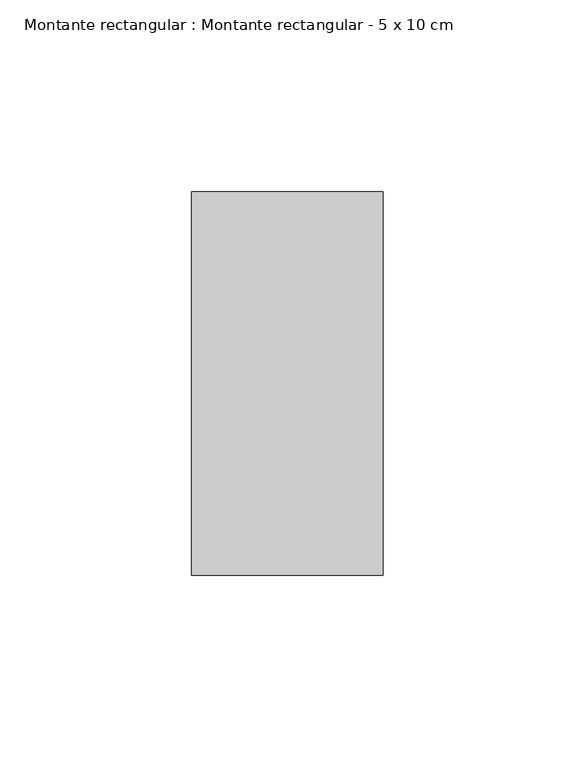
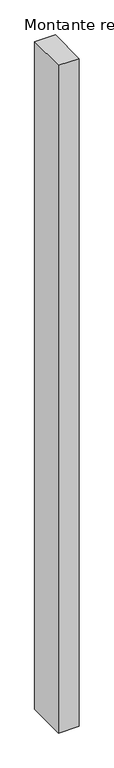
"""IFC4 building model written with IfcOpenShell, lengths in millimetres: member geometry, Montante rectangular : Montante rectangular - 5 x 10 cm."""

import ifcopenshell
import ifcopenshell.guid

model = None  # the IFC model being written
_history = None  # IfcOwnerHistory: only IFC2X3 demands one
_inside = {}  # id of a spatial element -> (the spatial element, [elements in it])
_under = {}  # id of a project, library or spatial element -> (it, [spatial elements below it])
_declared = {}  # id of a project -> (the project, [libraries it declares])
_typed = {}  # id of a type object -> (the type object, [elements of that type])
_made_of = {}  # id of a material, layer set ... -> (it, [elements and type objects made of it])


def new_model(schema):
    """Start an empty IFC model of exactly this schema.

    Asked for "IFC4X3", IfcOpenShell would pick the latest addendum, in which some entities
    have other attributes; the version numbers below select the first issue.
    IFC2X3 requires an IfcOwnerHistory on every rooted entity: one is made here for all.
    """
    global model, _history
    if schema == "IFC4X3":
        model = ifcopenshell.file(schema_version=(4, 3, 0, 0))
    else:
        model = ifcopenshell.file(schema=schema)
    _inside.clear()
    _under.clear()
    _declared.clear()
    _typed.clear()
    _made_of.clear()
    _history = None
    if model.schema == "IFC2X3":
        org = make("IfcOrganization", Name="unknown")
        user = make(
            "IfcPersonAndOrganization",
            ThePerson=make("IfcPerson", FamilyName="unknown"),
            TheOrganization=org,
        )
        app = make(
            "IfcApplication",
            ApplicationDeveloper=org,
            Version="unknown",
            ApplicationFullName="unknown",
            ApplicationIdentifier="unknown",
        )
        _history = make(
            "IfcOwnerHistory",
            OwningUser=user,
            OwningApplication=app,
            ChangeAction="ADDED",
            CreationDate=0,
        )
    return model


def make(cls, **values):
    """One entity of the class cls with the attributes given. An attribute that is None is left unset."""
    return model.create_entity(
        cls, **{name: value for name, value in values.items() if value is not None}
    )


def rooted(cls, **values):
    """An entity with a GlobalId (a new one), such as an element, a storey or a relation."""
    return make(cls, GlobalId=ifcopenshell.guid.new(), OwnerHistory=_history, **values)


def si_unit(unit_type, name, prefix=None):
    """IfcSIUnit, for example si_unit("LENGTHUNIT", "METRE", prefix="MILLI")."""
    return make("IfcSIUnit", UnitType=unit_type, Prefix=prefix, Name=name)


def assignment(units):
    """IfcUnitAssignment: the units of a project."""
    return None if units is None else make("IfcUnitAssignment", Units=units)


def point(xyz):
    """IfcCartesianPoint."""
    return None if xyz is None else make("IfcCartesianPoint", Coordinates=xyz)


def direction(xyz):
    """IfcDirection."""
    return None if xyz is None else make("IfcDirection", DirectionRatios=xyz)


def frame(location, z_axis=None, x_axis=None):
    """IfcAxis2Placement3D, a coordinate frame: its origin and axes. An axis left out is left unset."""
    return make(
        "IfcAxis2Placement3D",
        Location=point(location),
        Axis=direction(z_axis),
        RefDirection=direction(x_axis),
    )


def origin():
    """The frame at (0, 0, 0) with its axes left unset."""
    return frame((0.0, 0.0, 0.0))


def place(relative_to, where):
    """IfcLocalPlacement: puts the frame where relative to a parent placement (None: the world)."""
    return make(
        "IfcLocalPlacement", PlacementRelTo=relative_to, RelativePlacement=where
    )


def context(
    kind, dimensions, precision=None, world=None, true_north=None, identifier=None
):
    """IfcGeometricRepresentationContext, for example the 3D "Model" context."""
    return make(
        "IfcGeometricRepresentationContext",
        ContextIdentifier=identifier,
        ContextType=kind,
        CoordinateSpaceDimension=dimensions,
        Precision=precision,
        WorldCoordinateSystem=world,
        TrueNorth=true_north,
    )


def project(units=None, contexts=None):
    """IfcProject with its units and contexts."""
    return rooted(
        "IfcProject",
        Name="project",
        RepresentationContexts=contexts,
        UnitsInContext=assignment(units),
    )


def spatial(cls, under=None, at=None, **own):
    """A site, building, storey or space (cls), placed at a placement, below another one or the project."""
    s = rooted(cls, ObjectPlacement=at, **own)
    if under is not None:
        _under.setdefault(under.id(), (under, []))[1].append(s)
    return s


def polyline(points):
    """IfcPolyline through the points."""
    return make("IfcPolyline", Points=[point(p) for p in points])


def outline(outer, holes=None, kind="AREA"):
    """IfcArbitraryClosedProfileDef: a profile drawn as a closed curve; with holes, ...WithVoids."""
    if holes is None:
        return make("IfcArbitraryClosedProfileDef", ProfileType=kind, OuterCurve=outer)
    return make(
        "IfcArbitraryProfileDefWithVoids",
        ProfileType=kind,
        OuterCurve=outer,
        InnerCurves=holes,
    )


def extrude(swept, where, along, depth):
    """IfcExtrudedAreaSolid: the profile swept, set in the frame where, extruded along a direction by depth."""
    return make(
        "IfcExtrudedAreaSolid",
        SweptArea=swept,
        Position=where,
        ExtrudedDirection=direction(along),
        Depth=depth,
    )


def shape(context_of_items, identifier, shape_type, items):
    """IfcShapeRepresentation: the items that make up one representation, for example the "Body"."""
    return make(
        "IfcShapeRepresentation",
        ContextOfItems=context_of_items,
        RepresentationIdentifier=identifier,
        RepresentationType=shape_type,
        Items=items,
    )


def source(mapping_origin, context_of_items, identifier, shape_type, items):
    """IfcRepresentationMap: a shape defined once, which mapped items show again and again."""
    return make(
        "IfcRepresentationMap",
        MappingOrigin=mapping_origin,
        MappedRepresentation=shape(context_of_items, identifier, shape_type, items),
    )


def transform(
    local_origin,
    x_axis=None,
    y_axis=None,
    z_axis=None,
    scale=None,
    scale2=None,
    scale3=None,
    uniform=True,
):
    """IfcCartesianTransformationOperator3D, or its non-uniform kind. x_axis, y_axis, z_axis: its Axis1, 2, 3."""
    if uniform:
        return make(
            "IfcCartesianTransformationOperator3D",
            Axis1=direction(x_axis),
            Axis2=direction(y_axis),
            LocalOrigin=point(local_origin),
            Scale=scale,
            Axis3=direction(z_axis),
        )
    return make(
        "IfcCartesianTransformationOperator3DnonUniform",
        Axis1=direction(x_axis),
        Axis2=direction(y_axis),
        LocalOrigin=point(local_origin),
        Scale=scale,
        Axis3=direction(z_axis),
        Scale2=scale2,
        Scale3=scale3,
    )


def mapped(mapping_source, mapping_target):
    """IfcMappedItem: shows the shape of a source again, moved by a transform."""
    return make(
        "IfcMappedItem", MappingSource=mapping_source, MappingTarget=mapping_target
    )


def made_of(thing, what):
    """Note that an element or type object is made of a material, layer set ...; save() writes the relation."""
    if what is not None:
        _made_of.setdefault(what.id(), (what, []))[1].append(thing)
    return thing


def element(
    cls,
    number,
    at=None,
    inside=None,
    cuts=None,
    type_object=None,
    material=None,
    context=None,
    identifier="Body",
    shape_type=None,
    held_by="IfcProductDefinitionShape",
    body=None,
    shapes=None,
    **own,
):
    """One element of the class cls, such as IfcWall. Its Tag is "e" and its number.

    at: its placement. inside: the storey or other place that contains it. cuts: it is an
    opening in that element (IfcRelVoidsElement). A single representation is given by context,
    identifier, shape_type and body (its items); several are given by shapes. held_by: the class
    of the entity that holds the representations. save() writes the other relations.
    """
    e = rooted(cls, Tag="e%d" % number, ObjectPlacement=at, **own)
    if body is not None:
        shapes = [shape(context, identifier, shape_type, body)]
    if shapes is not None:
        e.Representation = make(held_by, Representations=shapes)
    if inside is not None:
        _inside.setdefault(inside.id(), (inside, []))[1].append(e)
    if cuts is not None:
        rooted(
            "IfcRelVoidsElement", RelatingBuildingElement=cuts, RelatedOpeningElement=e
        )
    if type_object is not None:
        _typed.setdefault(type_object.id(), (type_object, []))[1].append(e)
    return made_of(e, material)


def aggregate(whole, parts):
    """IfcRelAggregates: a whole, such as a stair, and the parts it consists of."""
    return rooted("IfcRelAggregates", RelatingObject=whole, RelatedObjects=parts)


def save(model, path):
    """Write the relations noted so far, then the file.

    IfcRelAggregates (storeys below a building ...), IfcRelContainedInSpatialStructure (elements
    in a storey), IfcRelDefinesByType, IfcRelAssociatesMaterial and IfcRelDeclares: one each for
    every whole, place, type object, material and project.
    """
    for whole, parts in _under.values():
        aggregate(whole, parts)
    for where, things in _inside.values():
        rooted(
            "IfcRelContainedInSpatialStructure",
            RelatedElements=things,
            RelatingStructure=where,
        )
    for kind, things in _typed.values():
        rooted("IfcRelDefinesByType", RelatedObjects=things, RelatingType=kind)
    for what, things in _made_of.values():
        rooted("IfcRelAssociatesMaterial", RelatedObjects=things, RelatingMaterial=what)
    for by, libraries in _declared.values():
        rooted("IfcRelDeclares", RelatingContext=by, RelatedDefinitions=libraries)
    model.write(path)


def montante_rectangular_montante_rectangular_5_x_10_cm_00086aec(model_context):
    return source(origin(), model_context, "Body", "SweptSolid", [
        extrude(outline(polyline([(0.0, 50.0), (0.0, -50.0), (-50.0, -50.0), (-50.0, 50.0), (0.0, 50.0)])), frame((0.0, 0.0, -1710.8718726), z_axis=(0.0, 0.0, 1.0), x_axis=(1.0, 0.0, 0.0)), (0.0, 0.0, 1.0), 1710.8718726),
    ])


if __name__ == "__main__":
    model = new_model("IFC4")
    model_context = context("Model", 3, world=origin())
    ifc_project = project(units=[si_unit("LENGTHUNIT", "METRE", prefix="MILLI")], contexts=[model_context])
    site = spatial("IfcSite", under=ifc_project)
    building = spatial("IfcBuilding", under=site)
    placement = place(None, origin())
    montante_rectangular_montante_rectangular_5_x_10_cm_shape = montante_rectangular_montante_rectangular_5_x_10_cm_00086aec(model_context)
    element("IfcMember", 1, ObjectType="Montante rectangular : Montante rectangular - 5 x 10 cm", at=placement, inside=building, context=model_context, shape_type="MappedRepresentation", body=[
        mapped(montante_rectangular_montante_rectangular_5_x_10_cm_shape, transform((0.0, 0.0, 0.0), x_axis=(1.0, 0.0, 0.0), y_axis=(0.0, 1.0, 0.0), z_axis=(0.0, 0.0, 1.0))),
    ])
    save(model, "model.ifc")
